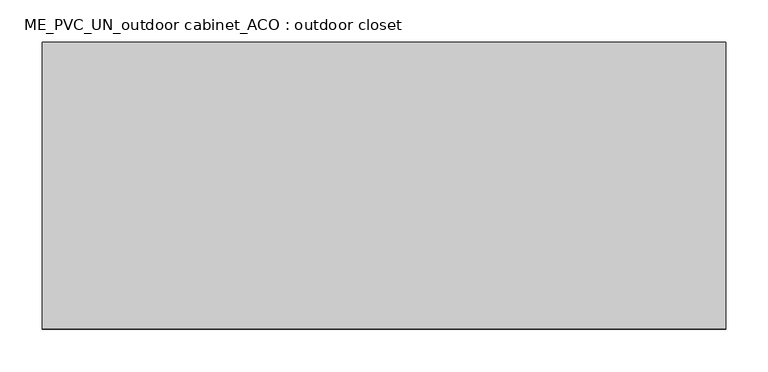
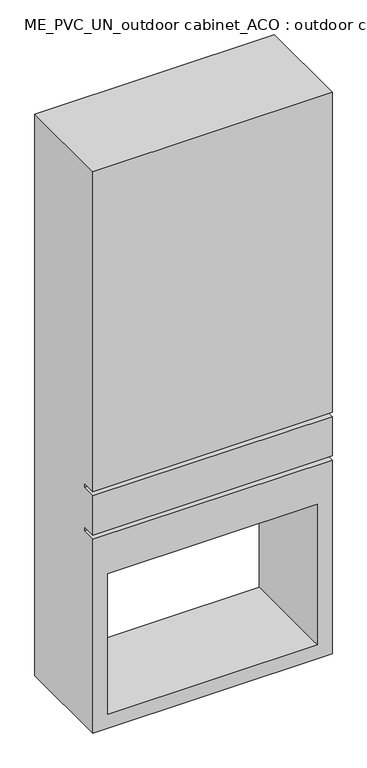
"""IFC4 building model written with IfcOpenShell, lengths in millimetres: furniture geometry, ME_PVC_UN_outdoor cabinet_ACO : outdoor closet."""

from ifc_helpers import new_model, si_unit, origin, place, context, project, spatial, faceted_brep, source, transform, mapped, element, save


def me_pvc_un_outdoor_cabinet_aco_outdoor_closet_8a707803(model_context):
    return source(origin(), model_context, "Body", "Brep", [
        faceted_brep([(403.0, 0.0, 1445.0), (-403.0, 0.0, 1445.0), (-403.0, 0.0, 305.0), (403.0, 0.0, 305.0), (-403.0, 0.0, -555.0), (403.0, 0.0, -555.0), (403.0, 0.0, 135.0), (-403.0, 0.0, 135.0), (353.0, 0.0, -505.0), (-353.0, 0.0, -505.0), (-353.0, 0.0, -5.0), (353.0, 0.0, -5.0), (-403.0, 0.0, 290.0), (-403.0, 0.0, 150.0), (403.0, 0.0, 150.0), (403.0, 0.0, 290.0), (403.0, 338.0, 1445.0), (403.0, 338.0, -555.0), (-403.0, 338.0, -555.0), (-403.0, 338.0, 1445.0), (-353.0, 338.0, -505.0), (353.0, 338.0, -505.0), (353.0, 338.0, -5.0), (-353.0, 338.0, -5.0), (-403.0, 50.0, 135.0), (-403.0, 50.0, 150.0), (-403.0, 50.0, 290.0), (-403.0, 50.0, 305.0), (403.0, 50.0, 305.0), (403.0, 50.0, 290.0), (403.0, 50.0, 150.0), (403.0, 50.0, 135.0)], [[[0, 1, 2, 3]], [[4, 5, 6, 7], [8, 9, 10, 11]], [[12, 13, 14, 15]], [[16, 17, 18, 19], [20, 21, 22, 23]], [[1, 0, 16, 19]], [[19, 18, 4, 7, 24, 25, 13, 12, 26, 27, 2, 1]], [[5, 4, 18, 17]], [[17, 16, 0, 3, 28, 29, 15, 14, 30, 31, 6, 5]], [[8, 21, 20, 9]], [[21, 8, 11, 22]], [[22, 11, 10, 23]], [[9, 20, 23, 10]], [[30, 25, 24, 31]], [[28, 27, 26, 29]], [[25, 30, 14, 13]], [[31, 24, 7, 6]], [[27, 28, 3, 2]], [[29, 26, 12, 15]]]),
    ])


if __name__ == "__main__":
    model = new_model("IFC4")
    model_context = context("Model", 3, world=origin())
    ifc_project = project(units=[si_unit("LENGTHUNIT", "METRE", prefix="MILLI")], contexts=[model_context])
    site = spatial("IfcSite", under=ifc_project)
    building = spatial("IfcBuilding", under=site)
    placement = place(None, origin())
    me_pvc_un_outdoor_cabinet_aco_outdoor_closet_shape = me_pvc_un_outdoor_cabinet_aco_outdoor_closet_8a707803(model_context)
    element("IfcFurniture", 1, ObjectType="ME_PVC_UN_outdoor cabinet_ACO : outdoor closet", at=placement, inside=building, context=model_context, shape_type="MappedRepresentation", body=[
        mapped(me_pvc_un_outdoor_cabinet_aco_outdoor_closet_shape, transform((0.0, 0.0, 0.0), x_axis=(1.0, 0.0, 0.0), y_axis=(0.0, 1.0, 0.0), z_axis=(0.0, 0.0, 1.0))),
    ])
    save(model, "model.ifc")
